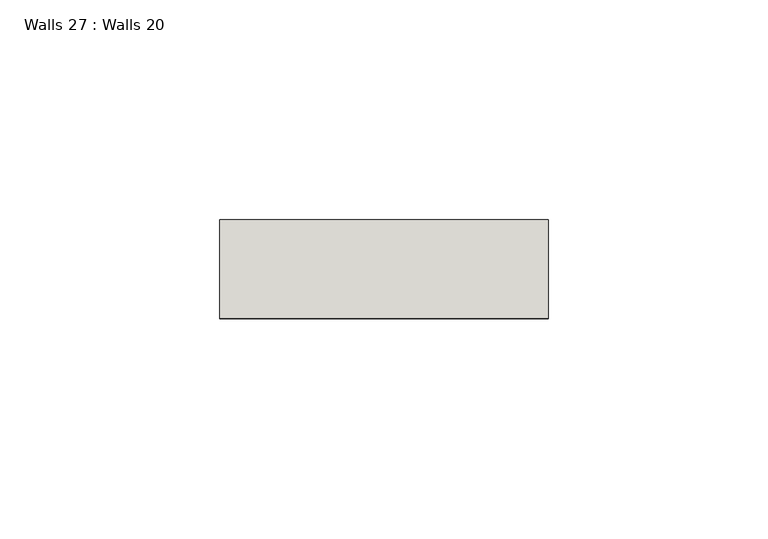
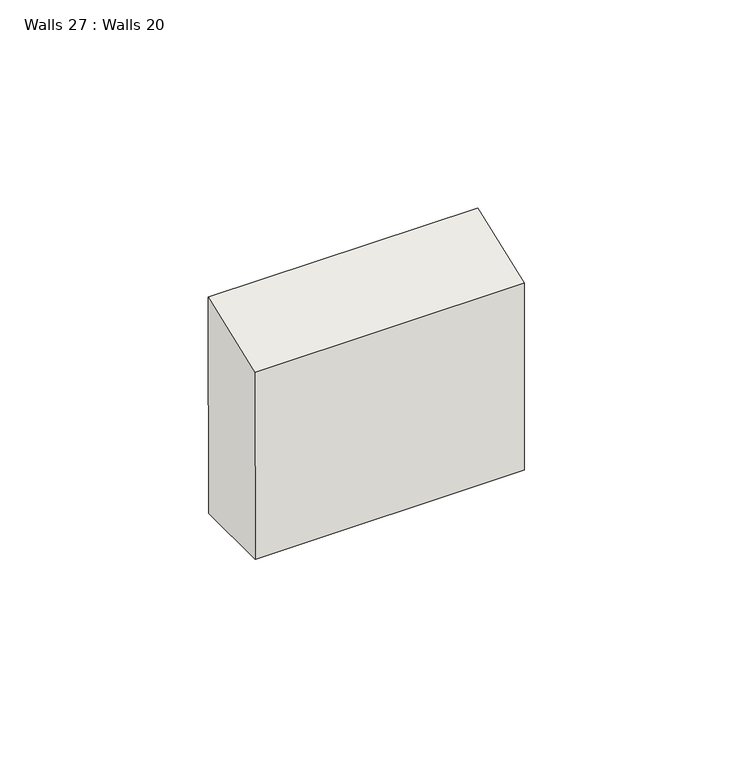
"""IFC4 building model written with IfcOpenShell, lengths in millimetres: wall geometry, Walls 27 : Walls 20."""

from ifc_helpers import new_model, si_unit, frame, origin, place, context, project, spatial, polyline, outline, extrude, source, transform, mapped, element, save


def walls_27_walls_20_ac31cc8b(model_context):
    return source(origin(), model_context, "Body", "SweptSolid", [
        extrude(outline(polyline([(44.7990791, -0.8489211), (44.7990791, 21.496535), (99.5959342, 21.496535), (108.1044055, -0.8526688), (44.7990791, -0.8489211)])), frame((-44466.6677937, 48878.4948504, 110769.8866158), z_axis=(0.9999999868518253, 0.00016212111629673062, 3.618404512043428e-06), x_axis=(-4.011209301161101e-06, 0.002422974667773792, 0.9999970645845264)), (0.0, 0.0, 1.0), 74.7315611),
    ])


if __name__ == "__main__":
    model = new_model("IFC4")
    model_context = context("Model", 3, world=origin())
    ifc_project = project(units=[si_unit("LENGTHUNIT", "METRE", prefix="MILLI")], contexts=[model_context])
    site = spatial("IfcSite", under=ifc_project)
    building = spatial("IfcBuilding", under=site)
    placement = place(None, origin())
    walls_27_walls_20_shape = walls_27_walls_20_ac31cc8b(model_context)
    element("IfcWall", 1, ObjectType="Walls 27 : Walls 20", at=placement, inside=building, context=model_context, shape_type="MappedRepresentation", body=[
        mapped(walls_27_walls_20_shape, transform((0.0, 0.0, 0.0), x_axis=(1.0, 0.0, 0.0), y_axis=(0.0, 1.0, 0.0), z_axis=(0.0, 0.0, 1.0))),
    ])
    save(model, "model.ifc")
